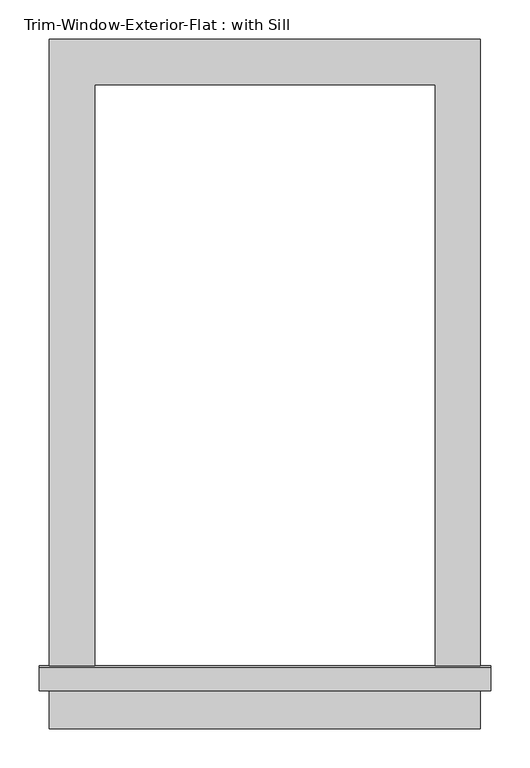
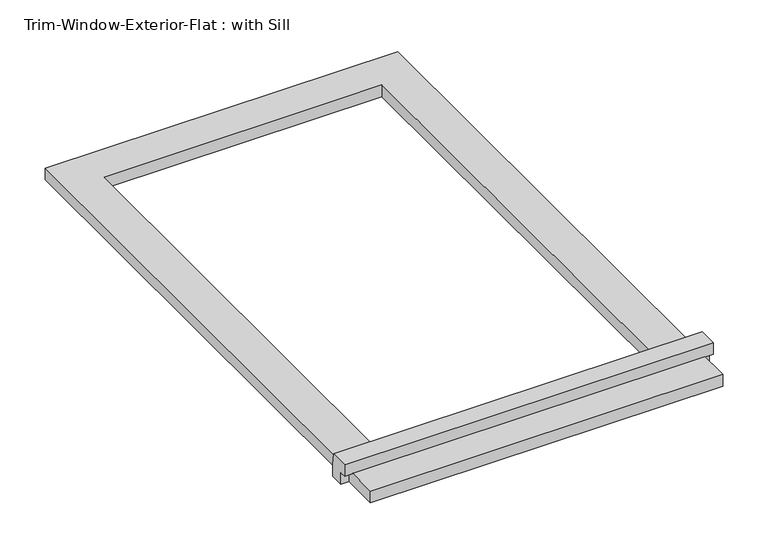
"""IFC4 building model written with IfcOpenShell, lengths in millimetres: proxy geometry, Trim-Window-Exterior-Flat : with Sill."""

from ifc_helpers import new_model, si_unit, frame, origin, origin_with_axes, place, context, project, spatial, polyline, outline, extrude, source, transform, mapped, element, save


def trim_window_exterior_flat_with_sill_7c93c071(model_context):
    return source(origin(), model_context, "Body", "SweptSolid", [
        extrude(outline(polyline([(273.05, -758.7823709), (273.05, -815.9323709), (-273.05, -815.9323709), (-273.05, -758.7823709), (273.05, -758.7823709)])), origin_with_axes(), (0.0, 0.0, 1.0), 19.05),
        extrude(outline(polyline([(-768.35, 38.1), (-739.0580645, 38.1), (-736.6, 19.05), (-736.6, 0.0), (-758.7823709, 0.0), (-758.7823709, 19.05), (-768.35, 19.05), (-768.35, 38.1)])), frame((-285.75, 0.0, 0.0), z_axis=(1.0, 0.0, 0.0), x_axis=(0.0, 1.0, 0.0)), (0.0, 0.0, 1.0), 571.5),
        extrude(outline(polyline([(-273.05, 57.15), (273.05, 57.15), (273.05, -736.6), (215.9, -736.6), (215.9, 0.0), (-215.9, 0.0), (-215.9, -736.6), (-273.05, -736.6), (-273.05, 57.15)])), origin_with_axes(), (0.0, 0.0, 1.0), 19.05),
    ])


if __name__ == "__main__":
    model = new_model("IFC4")
    model_context = context("Model", 3, world=origin())
    ifc_project = project(units=[si_unit("LENGTHUNIT", "METRE", prefix="MILLI")], contexts=[model_context])
    site = spatial("IfcSite", under=ifc_project)
    building = spatial("IfcBuilding", under=site)
    placement = place(None, origin())
    trim_window_exterior_flat_with_sill_shape = trim_window_exterior_flat_with_sill_7c93c071(model_context)
    element("IfcBuildingElementProxy", 1, Name="Trim-Window-Exterior-Flat : with Sill", ObjectType="Trim-Window-Exterior-Flat : with Sill", at=placement, inside=building, context=model_context, shape_type="MappedRepresentation", body=[
        mapped(trim_window_exterior_flat_with_sill_shape, transform((0.0, 0.0, 0.0), x_axis=(1.0, 0.0, 0.0), y_axis=(0.0, 1.0, 0.0), z_axis=(0.0, 0.0, 1.0))),
    ])
    save(model, "model.ifc")
